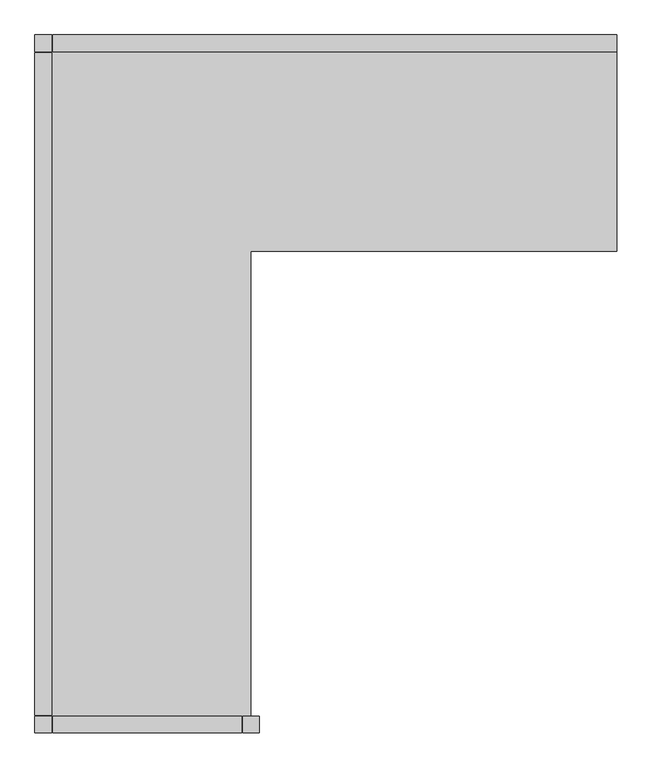
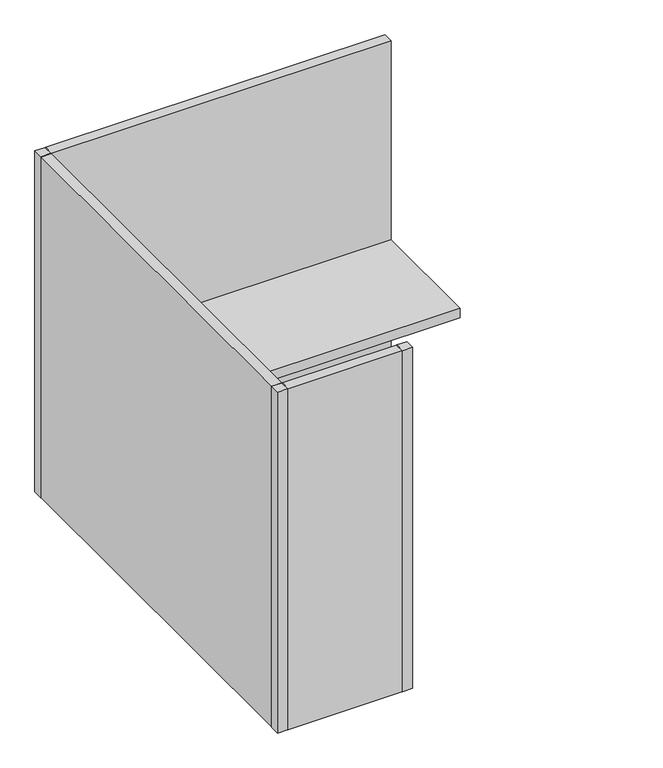
"""IFC4 building model written with IfcOpenShell, lengths in millimetres: furniture geometry."""

from ifc_helpers import new_model, si_unit, frame, origin, origin_with_axes, place, context, project, spatial, polyline, outline, extrude, source, transform, mapped, element, save


def furniture_2d24bb32(model_context):
    return source(origin(), model_context, "Body", "SweptSolid", [
        extrude(outline(polyline([(-1778.0, -50.8), (-1828.8, -50.8), (-1828.8, 0.0), (-1778.0, 0.0), (-1778.0, -50.8)])), origin_with_axes(), (0.0, 0.0, 1.0), 1828.8),
        extrude(outline(polyline([(-1778.0, -2133.6), (-1828.8, -2133.6), (-1828.8, -2082.8), (-1778.0, -2082.8), (-1778.0, -2133.6)])), origin_with_axes(), (0.0, 0.0, 1.0), 1828.8),
        extrude(outline(polyline([(-1143.0, -2133.6), (-1193.8, -2133.6), (-1193.8, -2082.8), (-1143.0, -2082.8), (-1143.0, -2133.6)])), origin_with_axes(), (0.0, 0.0, 1.0), 1828.8),
        extrude(outline(polyline([(-1168.4, -2082.8), (-1778.0, -2082.8), (-1778.0, -50.8), (-50.8, -50.8), (-50.8, -660.4), (-1168.4, -660.4), (-1168.4, -2082.8)])), frame((0.0, 0.0, 711.2), z_axis=(0.0, 0.0, 1.0), x_axis=(1.0, 0.0, 0.0)), (0.0, 0.0, 1.0), 50.8),
        extrude(outline(polyline([(-1196.975, -2133.6), (-1774.825, -2133.6), (-1774.825, -2082.8), (-1196.975, -2082.8), (-1196.975, -2133.6)])), origin_with_axes(), (0.0, 0.0, 1.0), 1828.8),
        extrude(outline(polyline([(-1828.8, -2079.625), (-1828.8, -53.975), (-1778.0, -53.975), (-1778.0, -2079.625), (-1828.8, -2079.625)])), origin_with_axes(), (0.0, 0.0, 1.0), 1828.8),
        extrude(outline(polyline([(-1774.825, 0.0), (-50.8, 0.0), (-50.8, -50.8), (-1774.825, -50.8), (-1774.825, 0.0)])), origin_with_axes(), (0.0, 0.0, 1.0), 1828.8),
    ])


if __name__ == "__main__":
    model = new_model("IFC4")
    model_context = context("Model", 3, world=origin())
    ifc_project = project(units=[si_unit("LENGTHUNIT", "METRE", prefix="MILLI")], contexts=[model_context])
    site = spatial("IfcSite", under=ifc_project)
    building = spatial("IfcBuilding", under=site)
    placement = place(None, origin())
    furniture_shape = furniture_2d24bb32(model_context)
    element("IfcFurniture", 1, at=placement, inside=building, context=model_context, shape_type="MappedRepresentation", body=[
        mapped(furniture_shape, transform((0.0, 0.0, 0.0), x_axis=(1.0, 0.0, 0.0), y_axis=(0.0, 1.0, 0.0), z_axis=(0.0, 0.0, 1.0))),
    ])
    save(model, "model.ifc")
